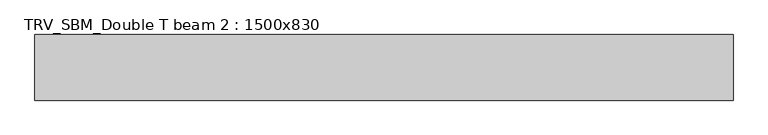
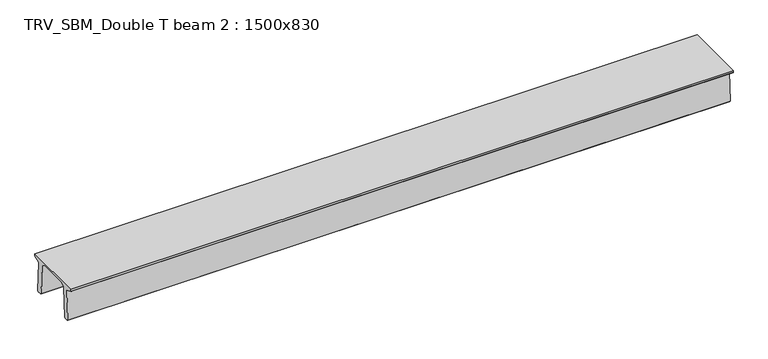
"""IFC4 building model written with IfcOpenShell, lengths in millimetres: beam geometry, TRV_SBM_Double T beam 2 : 1500x830."""

from ifc_helpers import new_model, si_unit, frame, origin, place, context, project, spatial, polyline, outline, extrude, source, transform, mapped, element, save


def trv_sbm_double_t_beam_2_1500x830_6bce7a1b(model_context):
    return source(origin(), model_context, "Body", "SweptSolid", [
        extrude(outline(polyline([(337.4555014, 470.0), (-343.4555014, 470.0), (-456.5828437, 409.8491251), (-494.786332, -340.5206011), (-514.2657308, -360.0), (-604.2657308, -360.0), (-624.8277662, -339.4379646), (-586.9373878, 401.9654693), (-752.8511046, 468.9989621), (-753.0, 475.0), (-753.0, 520.0), (747.0, 520.0), (747.0, 475.0), (746.8511046, 468.9989621), (580.9373878, 401.9654693), (618.8277662, -339.4379646), (598.2657308, -360.0), (508.2657308, -360.0), (488.786332, -340.5206011), (450.5828437, 409.8491251), (337.4555014, 470.0)])), frame((-7976.5, 0.0, 0.0), z_axis=(1.0, 0.0, 0.0), x_axis=(0.0, 1.0, 0.0)), (0.0, 0.0, 1.0), 15953.0),
    ])


if __name__ == "__main__":
    model = new_model("IFC4")
    model_context = context("Model", 3, world=origin())
    ifc_project = project(units=[si_unit("LENGTHUNIT", "METRE", prefix="MILLI")], contexts=[model_context])
    site = spatial("IfcSite", under=ifc_project)
    building = spatial("IfcBuilding", under=site)
    placement = place(None, origin())
    trv_sbm_double_t_beam_2_1500x830_shape = trv_sbm_double_t_beam_2_1500x830_6bce7a1b(model_context)
    element("IfcBeam", 1, ObjectType="TRV_SBM_Double T beam 2 : 1500x830", at=placement, inside=building, context=model_context, shape_type="MappedRepresentation", body=[
        mapped(trv_sbm_double_t_beam_2_1500x830_shape, transform((0.0, 0.0, 0.0), x_axis=(1.0, 0.0, 0.0), y_axis=(0.0, 1.0, 0.0), z_axis=(0.0, 0.0, 1.0))),
    ])
    save(model, "model.ifc")
